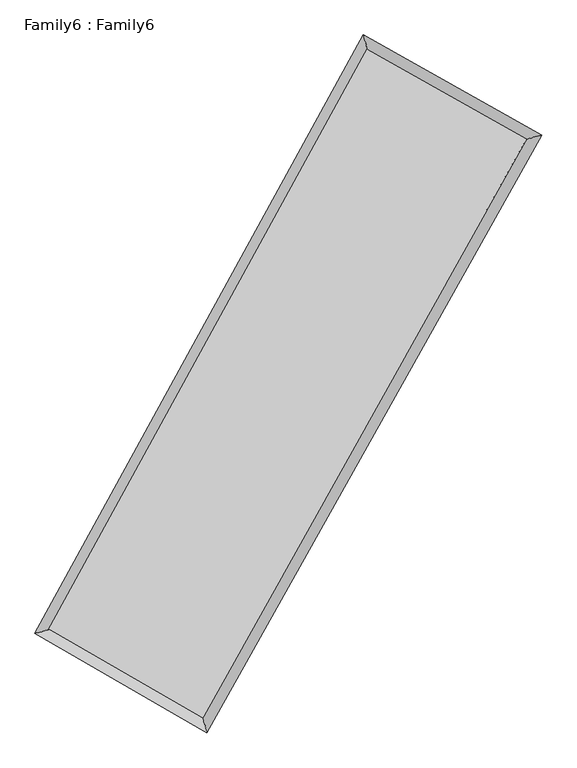
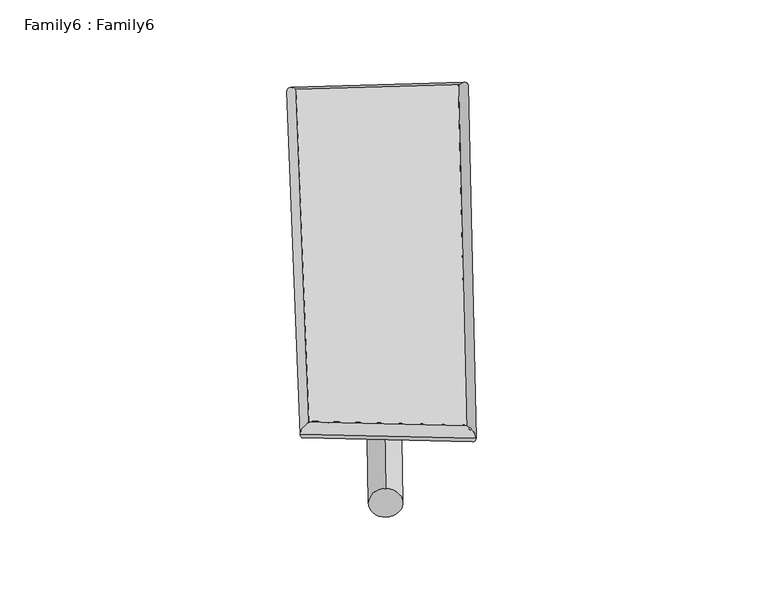
"""IFC4 building model written with IfcOpenShell, lengths in millimetres: plate geometry, Family6 : Family6."""

from ifc_helpers import new_model, si_unit, point, frame, origin, origin_2d, place, context, project, spatial, circle_curve, ellipse_curve, trimmed, segment, composite_curve, outline, extrude, source, transform, mapped, element, save
from ifc_brep_helpers import plane_surface, cylinder_surface, spline_surface, advanced_brep


def family6_family6_a351c6cf(model_context):
    return source(origin(), model_context, "Body", "SolidModel", [
        extrude(outline(composite_curve([segment(trimmed(circle_curve(origin_2d(), 76.2), [point((-75.4341514, -10.7763074))], [point((75.4341514, 10.7763074))], False, "CARTESIAN"), True, "CONTINUOUS"), segment(trimmed(circle_curve(origin_2d(), 76.2), [point((75.4341514, 10.7763074))], [point((-75.4341514, -10.7763074))], False, "CARTESIAN"), True, "CONTINUOUS")], self_intersect=False)), frame((9144.0, 9144.0, 0.0), z_axis=(0.6740300141626202, 0.6838137125729432, 0.27943218587905444), x_axis=(-0.6766310678569716, 0.7232962171900645, -0.13788756364979907)), (0.0, 0.0, 1.0), 5590.504872),
        extrude(outline(composite_curve([segment(trimmed(circle_curve(origin_2d(), 76.2), [point((-53.8815367, 53.8815367))], [point((53.8815367, -53.8815367))], False, "CARTESIAN"), True, "CONTINUOUS"), segment(trimmed(circle_curve(origin_2d(), 76.2), [point((53.8815367, -53.8815367))], [point((-53.8815367, 53.8815367))], False, "CARTESIAN"), True, "CONTINUOUS")], self_intersect=False)), frame((9144.0, 9144.0, 0.0), z_axis=(-0.668240790251309, -0.6888733709160332, 0.28090518878633686), x_axis=(0.6475624773220411, -0.35273280062074397, 0.6754571854165056)), (0.0, 0.0, 1.0), 5564.1719533),
        extrude(outline(composite_curve([segment(trimmed(circle_curve(origin_2d(), 76.2), [point((-53.8815367, -53.8815367))], [point((53.8815367, 53.8815367))], False, "CARTESIAN"), True, "CONTINUOUS"), segment(trimmed(circle_curve(origin_2d(), 76.2), [point((53.8815367, 53.8815367))], [point((-53.8815367, -53.8815367))], False, "CARTESIAN"), True, "CONTINUOUS")], self_intersect=False)), frame((9144.0, 9144.0, 0.0), z_axis=(0.2249650170973033, 0.9375051781510817, 0.2654708685003287), x_axis=(-0.8473171336563061, 0.3227529483921084, -0.4217632147504836)), (0.0, 0.0, 1.0), 5586.1805747),
        extrude(outline(composite_curve([segment(trimmed(circle_curve(origin_2d(), 76.2), [point((-75.4341515, 10.7763073))], [point((75.4341515, -10.7763073))], False, "CARTESIAN"), True, "CONTINUOUS"), segment(trimmed(circle_curve(origin_2d(), 76.2), [point((75.4341515, -10.7763073))], [point((-75.4341515, 10.7763073))], False, "CARTESIAN"), True, "CONTINUOUS")], self_intersect=False)), frame((9144.0, 9144.0, 0.0), z_axis=(-0.2328770214402616, -0.935656780089901, 0.2651691587589145), x_axis=(0.8912483946088454, -0.09622212598852752, 0.44319025437999415)), (0.0, 0.0, 1.0), 5588.6520628),
        advanced_brep(
        [(5220.7460817, 5253.7813218, 1557.8068199), (5220.6101391, 5253.5498473, 1570.3150483), (5630.8405919, 5368.1988985, 1568.2027261), (10460.1049307, 14172.7602782, 1490.5091885), (10341.2854863, 14589.3861515, 1475.427229), (5630.9765345, 5368.430373, 1555.6944976), (12704.921866, 12908.7048002, 1561.2990355), (13119.4142901, 13025.0229832, 1563.0349577), (7785.0170499, 4124.1296271, 1483.4397665), (7900.0456576, 3705.7499846, 1480.4365657)],
        [
            (0, 1, ellipse_curve(frame((5425.7933368, 5310.9901101, 1563.004773), z_axis=(-0.269059782098328, 0.9630082621186514, 0.014897004679296857), x_axis=(-0.9626767683676385, -0.26937385170493505, 0.026290067761181878)), 213.2035531, 152.4)),
            (1, 2, ellipse_curve(frame((5425.7933368, 5310.9901101, 1563.004773), z_axis=(-0.269059782098328, 0.9630082621186514, 0.014897004679296857), x_axis=(-0.9626767683676385, -0.26937385170493505, 0.026290067761181878)), 213.2035531, 152.4)),
            (2, 3),
            (3, 4, ellipse_curve(frame((10400.6952085, 14381.0732148, 1482.9682088), z_axis=(-0.9614270907286159, -0.2747017595094645, -0.014031840061594103), x_axis=(0.27431061755894276, -0.9613225171231904, 0.024752841581621825)), 216.7614106, 152.4)),
            (4, 0),
            (2, 5, ellipse_curve(frame((5425.7933368, 5310.9901101, 1563.004773), z_axis=(-0.269059782098328, 0.9630082621186514, 0.014897004679296857), x_axis=(-0.9626767683676385, -0.26937385170493505, 0.026290067761181878)), 213.2035531, 152.4)),
            (5, 0, ellipse_curve(frame((5425.7933368, 5310.9901101, 1563.004773), z_axis=(-0.269059782098328, 0.9630082621186514, 0.014897004679296857), x_axis=(-0.9626767683676385, -0.26937385170493505, 0.026290067761181878)), 213.2035531, 152.4)),
            (4, 3, ellipse_curve(frame((10400.6952085, 14381.0732148, 1482.9682088), z_axis=(-0.9614270907286159, -0.2747017595094645, -0.014031840061594103), x_axis=(0.27431061755894276, -0.9613225171231904, 0.024752841581621825)), 216.7614106, 152.4)),
            (3, 6),
            (6, 7, ellipse_curve(frame((12912.1680781, 12966.8638917, 1562.1669966), z_axis=(-0.27011019770440886, 0.9627284960783616, -0.013940012007922708), x_axis=(-0.9624292333582284, -0.27038701747456845, -0.02491649170128673)), 215.3006173, 152.4)),
            (7, 4),
            (7, 6, ellipse_curve(frame((12912.1680781, 12966.8638917, 1562.1669966), z_axis=(-0.27011019770440886, 0.9627284960783616, -0.013940012007922708), x_axis=(-0.9624292333582284, -0.27038701747456845, -0.02491649170128673)), 215.3006173, 152.4)),
            (6, 8),
            (8, 9, ellipse_curve(frame((7842.5313537, 3914.9398058, 1481.9381661), z_axis=(0.9640818805831834, 0.2651719352566384, -0.015164837072692191), x_axis=(-0.2647363325993233, 0.9639750003239728, 0.025823883369022724)), 216.9972765, 152.4)),
            (9, 7),
            (9, 8, ellipse_curve(frame((7842.5313537, 3914.9398058, 1481.9381661), z_axis=(0.9640818805831834, 0.2651719352566384, -0.015164837072692191), x_axis=(-0.2647363325993233, 0.9639750003239728, 0.025823883369022724)), 216.9972765, 152.4)),
            (8, 5),
            (1, 9),
        ],
        [
            cylinder_surface(frame((5425.7933368, 5310.9901101, 1563.004773), z_axis=(-0.4808914438790416, -0.8767460088286376, 0.007736614698010447), x_axis=(-0.8761661239930343, 0.4802057861024026, -0.041657246197950956)), 152.4),
            cylinder_surface(frame((10400.6952085, 14381.0732148, 1482.9682088), z_axis=(-0.8710234403666016, 0.4904729351961194, -0.027467547615915952), x_axis=(0.4910620380302117, 0.8708542142365051, -0.02170281899049799)), 152.4),
            cylinder_surface(frame((12912.1680781, 12966.8638917, 1562.1669966), z_axis=(0.4886297932680953, 0.872456950124, 0.007732742793256241), x_axis=(0.8724888842686557, -0.48862979326809525, -0.002017909416936892)), 152.4),
            cylinder_surface(frame((7842.5313537, 3914.9398058, 1481.9381661), z_axis=(0.8655446092713153, -0.49998957548652534, -0.029033666082155834), x_axis=(-0.49961253520168136, -0.8660280164866848, 0.01956500267025075)), 152.4),
        ],
        [
            (0, [[1, 2, 3, 4, 5]]),
            (0, [[6, 7, -5, 8, -3]]),
            (1, [[-4, 9, 10, 11]]),
            (1, [[-8, -11, 12, -9]]),
            (2, [[-10, 13, 14, 15]]),
            (2, [[-12, -15, 16, -13]]),
            (3, [[-14, 17, -6, -2, 18]]),
            (3, [[-16, -18, -1, -7, -17]]),
        ],
    ),
        extrude(outline(composite_curve([segment(trimmed(circle_curve(origin_2d(), 304.8), [point((0.0, 304.7999999))], [point((0.0, -304.8))], False, "CARTESIAN"), True, "CONTINUOUS"), segment(trimmed(circle_curve(origin_2d(), 304.8), [point((0.0, -304.8))], [point((0.0, 304.7999999))], False, "CARTESIAN"), True, "CONTINUOUS")], self_intersect=False)), frame((11702.3779749, 13670.4809662, -0.0661957), z_axis=(-0.4920473756331558, -0.8705684234857356, 1.2731271630699318e-05), x_axis=(-0.8705684235723858, 0.49204737563315576, -3.3489225604936643e-06)), (0.0, 0.0, 1.0), 10398.9091358),
        advanced_brep(
        [(5425.7933368, 5310.9901101, 1563.004773), (7842.5313537, 3914.9398058, 1481.9381661), (7842.5128062, 3914.9464426, 1634.3381648), (5425.7747893, 5310.9967469, 1715.4047717), (12912.1680781, 12966.8638917, 1562.1669966), (12912.1495305, 12966.8705285, 1714.5669953), (10400.6952085, 14381.0732148, 1482.9682088), (10400.6766609, 14381.0798516, 1635.3682075)],
        [
            (0, 1),
            (1, 2),
            (2, 3),
            (3, 0),
            (1, 4),
            (4, 5),
            (5, 2),
            (4, 6),
            (6, 7),
            (7, 5),
            (6, 0),
            (3, 7),
        ],
        [
            plane_surface(frame((6634.1623453, 4612.964958, 1522.4714695), z_axis=(-0.5002010253966087, -0.8659093102949502, -2.316689235540119e-05), x_axis=(0.8655446092713154, -0.4999895754865254, -0.029033666082155858))),
            plane_surface(frame((10377.3497159, 8440.9018488, 1522.0525813), z_axis=(0.8724825469798035, -0.48864525882143683, 0.00012746358792559316), x_axis=(0.48862979326809514, 0.8724569501240002, 0.007732742793256231))),
            plane_surface(frame((11656.4316433, 13673.9685533, 1522.5676027), z_axis=(0.49065754126056343, 0.8713524985505443, 2.1768378179942358e-05), x_axis=(-0.8710234403666015, 0.49047293519611945, -0.027467547615915952))),
            plane_surface(frame((7913.2442726, 9846.0316625, 1522.9864909), z_axis=(-0.8767727167115265, 0.4809049666369804, -0.00012764863613652297), x_axis=(-0.48089144387904187, -0.8767460088286373, 0.00773661469801044))),
            spline_surface(1, 1, [[(7842.5128062, 3914.9464426, 1634.3381648), (5425.7747893, 5310.9967469, 1715.4047717)], [(12912.1495305, 12966.8705285, 1714.5669953), (10400.6766609, 14381.0798516, 1635.3682075)]], [2, 2], [2, 2], [0.0, 1.0], [0.0, 1.0]),
            spline_surface(1, 1, [[(10400.6952085, 14381.0732148, 1482.9682088), (5425.7933368, 5310.9901101, 1563.004773)], [(12912.1680781, 12966.8638917, 1562.1669966), (7842.5313537, 3914.9398058, 1481.9381661)]], [2, 2], [2, 2], [0.0, 1.0], [0.0, 1.0]),
        ],
        [
            (0, [[1, 2, 3, 4]]),
            (1, [[5, 6, 7, -2]]),
            (2, [[8, 9, 10, -6]]),
            (3, [[11, -4, 12, -9]]),
            (4, [[-3, -7, -10, -12]]),
            (5, [[-11, -8, -5, -1]]),
        ],
    ),
    ])


if __name__ == "__main__":
    model = new_model("IFC4")
    model_context = context("Model", 3, world=origin())
    ifc_project = project(units=[si_unit("LENGTHUNIT", "METRE", prefix="MILLI")], contexts=[model_context])
    site = spatial("IfcSite", under=ifc_project)
    building = spatial("IfcBuilding", under=site)
    placement = place(None, origin())
    family6_family6_shape = family6_family6_a351c6cf(model_context)
    element("IfcPlate", 1, ObjectType="Family6 : Family6", at=placement, inside=building, context=model_context, shape_type="MappedRepresentation", body=[
        mapped(family6_family6_shape, transform((0.0, 0.0, 0.0), x_axis=(1.0, 0.0, 0.0), y_axis=(0.0, 1.0, 0.0), z_axis=(0.0, 0.0, 1.0))),
    ])
    save(model, "model.ifc")
